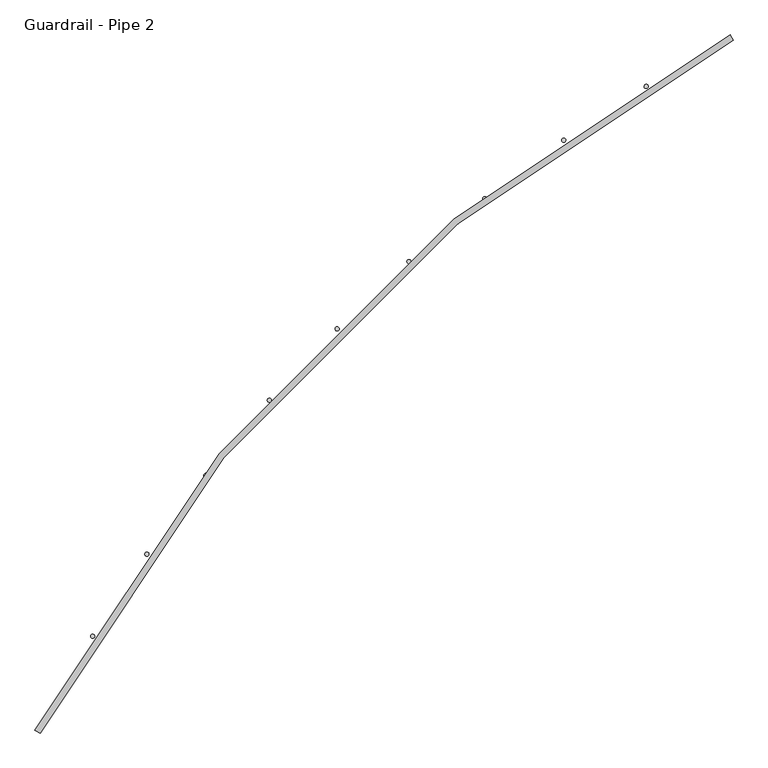
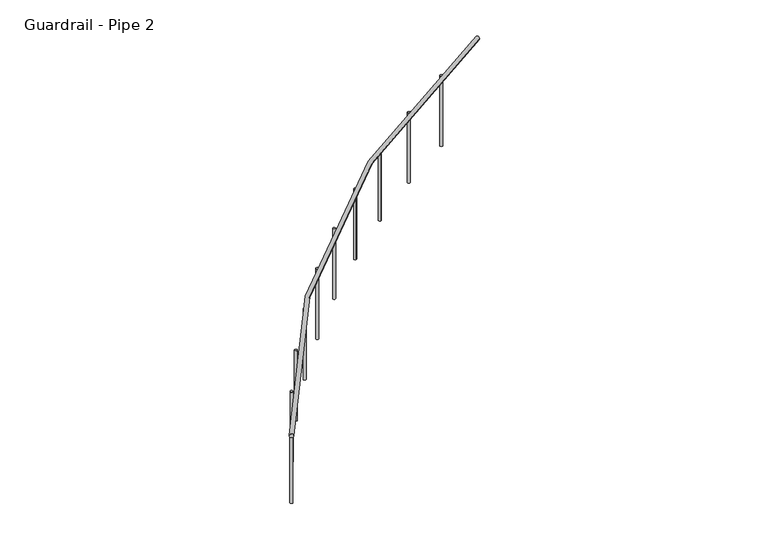
"""IFC4 building model written with IfcOpenShell, lengths in millimetres: railing geometry, Guardrail - Pipe 2."""

import ifcopenshell
import ifcopenshell.guid

model = None  # the IFC model being written
_history = None  # IfcOwnerHistory: only IFC2X3 demands one
_inside = {}  # id of a spatial element -> (the spatial element, [elements in it])
_under = {}  # id of a project, library or spatial element -> (it, [spatial elements below it])
_declared = {}  # id of a project -> (the project, [libraries it declares])
_typed = {}  # id of a type object -> (the type object, [elements of that type])
_made_of = {}  # id of a material, layer set ... -> (it, [elements and type objects made of it])


def new_model(schema):
    """Start an empty IFC model of exactly this schema.

    Asked for "IFC4X3", IfcOpenShell would pick the latest addendum, in which some entities
    have other attributes; the version numbers below select the first issue.
    IFC2X3 requires an IfcOwnerHistory on every rooted entity: one is made here for all.
    """
    global model, _history
    if schema == "IFC4X3":
        model = ifcopenshell.file(schema_version=(4, 3, 0, 0))
    else:
        model = ifcopenshell.file(schema=schema)
    _inside.clear()
    _under.clear()
    _declared.clear()
    _typed.clear()
    _made_of.clear()
    _history = None
    if model.schema == "IFC2X3":
        org = make("IfcOrganization", Name="unknown")
        user = make(
            "IfcPersonAndOrganization",
            ThePerson=make("IfcPerson", FamilyName="unknown"),
            TheOrganization=org,
        )
        app = make(
            "IfcApplication",
            ApplicationDeveloper=org,
            Version="unknown",
            ApplicationFullName="unknown",
            ApplicationIdentifier="unknown",
        )
        _history = make(
            "IfcOwnerHistory",
            OwningUser=user,
            OwningApplication=app,
            ChangeAction="ADDED",
            CreationDate=0,
        )
    return model


def make(cls, **values):
    """One entity of the class cls with the attributes given. An attribute that is None is left unset."""
    return model.create_entity(
        cls, **{name: value for name, value in values.items() if value is not None}
    )


def rooted(cls, **values):
    """An entity with a GlobalId (a new one), such as an element, a storey or a relation."""
    return make(cls, GlobalId=ifcopenshell.guid.new(), OwnerHistory=_history, **values)


def si_unit(unit_type, name, prefix=None):
    """IfcSIUnit, for example si_unit("LENGTHUNIT", "METRE", prefix="MILLI")."""
    return make("IfcSIUnit", UnitType=unit_type, Prefix=prefix, Name=name)


def assignment(units):
    """IfcUnitAssignment: the units of a project."""
    return None if units is None else make("IfcUnitAssignment", Units=units)


def point(xyz):
    """IfcCartesianPoint."""
    return None if xyz is None else make("IfcCartesianPoint", Coordinates=xyz)


def direction(xyz):
    """IfcDirection."""
    return None if xyz is None else make("IfcDirection", DirectionRatios=xyz)


def frame(location, z_axis=None, x_axis=None):
    """IfcAxis2Placement3D, a coordinate frame: its origin and axes. An axis left out is left unset."""
    return make(
        "IfcAxis2Placement3D",
        Location=point(location),
        Axis=direction(z_axis),
        RefDirection=direction(x_axis),
    )


def frame_2d(location, x_axis=None):
    """IfcAxis2Placement2D, a coordinate frame in the plane: its origin and x axis."""
    return make(
        "IfcAxis2Placement2D", Location=point(location), RefDirection=direction(x_axis)
    )


def origin():
    """The frame at (0, 0, 0) with its axes left unset."""
    return frame((0.0, 0.0, 0.0))


def place(relative_to, where):
    """IfcLocalPlacement: puts the frame where relative to a parent placement (None: the world)."""
    return make(
        "IfcLocalPlacement", PlacementRelTo=relative_to, RelativePlacement=where
    )


def context(
    kind, dimensions, precision=None, world=None, true_north=None, identifier=None
):
    """IfcGeometricRepresentationContext, for example the 3D "Model" context."""
    return make(
        "IfcGeometricRepresentationContext",
        ContextIdentifier=identifier,
        ContextType=kind,
        CoordinateSpaceDimension=dimensions,
        Precision=precision,
        WorldCoordinateSystem=world,
        TrueNorth=true_north,
    )


def project(units=None, contexts=None):
    """IfcProject with its units and contexts."""
    return rooted(
        "IfcProject",
        Name="project",
        RepresentationContexts=contexts,
        UnitsInContext=assignment(units),
    )


def spatial(cls, under=None, at=None, **own):
    """A site, building, storey or space (cls), placed at a placement, below another one or the project."""
    s = rooted(cls, ObjectPlacement=at, **own)
    if under is not None:
        _under.setdefault(under.id(), (under, []))[1].append(s)
    return s


def circle_curve(where, radius):
    """IfcCircle in the frame where."""
    return make("IfcCircle", Position=where, Radius=radius)


def ellipse_curve(where, semi_axis1, semi_axis2):
    """IfcEllipse in the frame where."""
    return make(
        "IfcEllipse", Position=where, SemiAxis1=semi_axis1, SemiAxis2=semi_axis2
    )


def trimmed(basis, trim1, trim2, sense, master):
    """IfcTrimmedCurve: the piece of a basis curve between two trims."""
    return make(
        "IfcTrimmedCurve",
        BasisCurve=basis,
        Trim1=trim1,
        Trim2=trim2,
        SenseAgreement=sense,
        MasterRepresentation=master,
    )


def segment(curve, same_sense, transition):
    """IfcCompositeCurveSegment."""
    return make(
        "IfcCompositeCurveSegment",
        Transition=transition,
        SameSense=same_sense,
        ParentCurve=curve,
    )


def composite_curve(segments, self_intersect=None):
    """IfcCompositeCurve: segments joined end to end."""
    return make("IfcCompositeCurve", Segments=segments, SelfIntersect=self_intersect)


def outline(outer, holes=None, kind="AREA"):
    """IfcArbitraryClosedProfileDef: a profile drawn as a closed curve; with holes, ...WithVoids."""
    if holes is None:
        return make("IfcArbitraryClosedProfileDef", ProfileType=kind, OuterCurve=outer)
    return make(
        "IfcArbitraryProfileDefWithVoids",
        ProfileType=kind,
        OuterCurve=outer,
        InnerCurves=holes,
    )


def extrude(swept, where, along, depth):
    """IfcExtrudedAreaSolid: the profile swept, set in the frame where, extruded along a direction by depth."""
    return make(
        "IfcExtrudedAreaSolid",
        SweptArea=swept,
        Position=where,
        ExtrudedDirection=direction(along),
        Depth=depth,
    )


def shape(context_of_items, identifier, shape_type, items):
    """IfcShapeRepresentation: the items that make up one representation, for example the "Body"."""
    return make(
        "IfcShapeRepresentation",
        ContextOfItems=context_of_items,
        RepresentationIdentifier=identifier,
        RepresentationType=shape_type,
        Items=items,
    )


def source(mapping_origin, context_of_items, identifier, shape_type, items):
    """IfcRepresentationMap: a shape defined once, which mapped items show again and again."""
    return make(
        "IfcRepresentationMap",
        MappingOrigin=mapping_origin,
        MappedRepresentation=shape(context_of_items, identifier, shape_type, items),
    )


def transform(
    local_origin,
    x_axis=None,
    y_axis=None,
    z_axis=None,
    scale=None,
    scale2=None,
    scale3=None,
    uniform=True,
):
    """IfcCartesianTransformationOperator3D, or its non-uniform kind. x_axis, y_axis, z_axis: its Axis1, 2, 3."""
    if uniform:
        return make(
            "IfcCartesianTransformationOperator3D",
            Axis1=direction(x_axis),
            Axis2=direction(y_axis),
            LocalOrigin=point(local_origin),
            Scale=scale,
            Axis3=direction(z_axis),
        )
    return make(
        "IfcCartesianTransformationOperator3DnonUniform",
        Axis1=direction(x_axis),
        Axis2=direction(y_axis),
        LocalOrigin=point(local_origin),
        Scale=scale,
        Axis3=direction(z_axis),
        Scale2=scale2,
        Scale3=scale3,
    )


def mapped(mapping_source, mapping_target):
    """IfcMappedItem: shows the shape of a source again, moved by a transform."""
    return make(
        "IfcMappedItem", MappingSource=mapping_source, MappingTarget=mapping_target
    )


def made_of(thing, what):
    """Note that an element or type object is made of a material, layer set ...; save() writes the relation."""
    if what is not None:
        _made_of.setdefault(what.id(), (what, []))[1].append(thing)
    return thing


def element(
    cls,
    number,
    at=None,
    inside=None,
    cuts=None,
    type_object=None,
    material=None,
    context=None,
    identifier="Body",
    shape_type=None,
    held_by="IfcProductDefinitionShape",
    body=None,
    shapes=None,
    **own,
):
    """One element of the class cls, such as IfcWall. Its Tag is "e" and its number.

    at: its placement. inside: the storey or other place that contains it. cuts: it is an
    opening in that element (IfcRelVoidsElement). A single representation is given by context,
    identifier, shape_type and body (its items); several are given by shapes. held_by: the class
    of the entity that holds the representations. save() writes the other relations.
    """
    e = rooted(cls, Tag="e%d" % number, ObjectPlacement=at, **own)
    if body is not None:
        shapes = [shape(context, identifier, shape_type, body)]
    if shapes is not None:
        e.Representation = make(held_by, Representations=shapes)
    if inside is not None:
        _inside.setdefault(inside.id(), (inside, []))[1].append(e)
    if cuts is not None:
        rooted(
            "IfcRelVoidsElement", RelatingBuildingElement=cuts, RelatedOpeningElement=e
        )
    if type_object is not None:
        _typed.setdefault(type_object.id(), (type_object, []))[1].append(e)
    return made_of(e, material)


def aggregate(whole, parts):
    """IfcRelAggregates: a whole, such as a stair, and the parts it consists of."""
    return rooted("IfcRelAggregates", RelatingObject=whole, RelatedObjects=parts)


def save(model, path):
    """Write the relations noted so far, then the file.

    IfcRelAggregates (storeys below a building ...), IfcRelContainedInSpatialStructure (elements
    in a storey), IfcRelDefinesByType, IfcRelAssociatesMaterial and IfcRelDeclares: one each for
    every whole, place, type object, material and project.
    """
    for whole, parts in _under.values():
        aggregate(whole, parts)
    for where, things in _inside.values():
        rooted(
            "IfcRelContainedInSpatialStructure",
            RelatedElements=things,
            RelatingStructure=where,
        )
    for kind, things in _typed.values():
        rooted("IfcRelDefinesByType", RelatedObjects=things, RelatingType=kind)
    for what, things in _made_of.values():
        rooted("IfcRelAssociatesMaterial", RelatedObjects=things, RelatingMaterial=what)
    for by, libraries in _declared.values():
        rooted("IfcRelDeclares", RelatingContext=by, RelatedDefinitions=libraries)
    model.write(path)


def plane_surface(at):
    """IfcPlane: the flat surface through the origin of the frame at, square to its z axis."""
    return make("IfcPlane", Position=at)


def revolved_surface(curve, axis_point, axis_direction):
    """IfcSurfaceOfRevolution: the curve turned about the line through axis_point along axis_direction."""
    return make(
        "IfcSurfaceOfRevolution",
        SweptCurve=make("IfcArbitraryOpenProfileDef", ProfileType="CURVE", Curve=curve),
        AxisPosition=make("IfcAxis1Placement", Location=point(axis_point), Axis=direction(axis_direction)),
    )


def advanced_brep(points, edges, surfaces, faces):
    """IfcAdvancedBrep: a solid bounded by faces that lie on surfaces and meet in shared edges.

    An edge is (start, end): straight between two places in points (the first is 0);
    or (start, end, curve); or (start, end, curve, False) where it runs against its curve.
    A face is (place in surfaces, loops), or (place, loops, False) where it looks against
    its surface's normal. A loop lists edges by number (the first is 1), with a minus sign
    where the edge is run from its end to its start. The first loop is the outer one.
    """
    corners = [point(p) for p in points]
    vertices = [make("IfcVertexPoint", VertexGeometry=c) for c in corners]
    made = []
    for start, end, *more in edges:
        made.append(
            make(
                "IfcEdgeCurve",
                EdgeStart=vertices[start],
                EdgeEnd=vertices[end],
                EdgeGeometry=more[0] if more else make("IfcPolyline", Points=[corners[start], corners[end]]),
                SameSense=more[1] if len(more) > 1 else True,
            )
        )
    hull = []
    for where, loops, *sense in faces:
        bounds = []
        for j, loop in enumerate(loops):
            ring = [make("IfcOrientedEdge", EdgeElement=made[abs(k) - 1], Orientation=k > 0) for k in loop]
            bounds.append(
                make(
                    "IfcFaceOuterBound" if j == 0 else "IfcFaceBound",
                    Bound=make("IfcEdgeLoop", EdgeList=ring),
                    Orientation=True,
                )
            )
        hull.append(make("IfcAdvancedFace", Bounds=bounds, FaceSurface=surfaces[where], SameSense=sense[0] if sense else True))
    return make("IfcAdvancedBrep", Outer=make("IfcClosedShell", CfsFaces=hull))


def guardrail_pipe_2_c8b56e09(model_context):
    return source(origin(), model_context, "Body", "SolidModel", [
        advanced_brep(
        [(489758.198997, -255066.1139047, 5518.15), (494048.93135, -250775.3815518, 5518.15), (494031.0019382, -250741.7639047, 5518.15), (489724.58135, -255048.1844929, 5518.15)],
        [
            (0, 1, circle_curve(frame((498952.6254676, -259969.8080223, 5518.15), z_axis=(0.0, 0.0, -1.0), x_axis=(-0.47058823529371446, 0.8823529411766856, 0.0)), 10420.35)),
            (1, 2, circle_curve(frame((494039.9666441, -250758.5727282, 5518.15), z_axis=(-0.8823529411766833, -0.47058823529371885, 0.0), x_axis=(-0.47058823529371885, 0.8823529411766833, 0.0)), 19.05)),
            (2, 3, circle_curve(frame((498952.6254676, -259969.8080223, 5518.15), z_axis=(0.0, 0.0, 1.0), x_axis=(-0.47058823529371446, 0.8823529411766856, 0.0)), 10458.45)),
            (3, 0, circle_curve(frame((489741.3901735, -255057.1491988, 5518.15), z_axis=(0.47058823529375404, 0.8823529411766646, 0.0), x_axis=(-0.8823529411766646, 0.47058823529375404, 0.0)), 19.05)),
            (2, 1, circle_curve(frame((494039.9666441, -250758.5727282, 5518.15), z_axis=(-0.8823529411766825, -0.4705882352937203, 0.0), x_axis=(-0.4705882352937203, 0.8823529411766825, 0.0)), 19.05)),
            (0, 3, circle_curve(frame((489741.3901735, -255057.1491988, 5518.15), z_axis=(0.4705882352937505, 0.8823529411766664, 0.0), x_axis=(-0.8823529411766664, 0.4705882352937505, 0.0)), 19.05)),
        ],
        [
            revolved_surface(trimmed(ellipse_curve(frame((494039.9666441, -250758.5727282, 5518.15), z_axis=(0.8823529411766856, 0.47058823529371446, 0.0), x_axis=(-0.47058823529371446, 0.8823529411766856, 0.0)), 19.05, 19.05), [point((494031.0019382, -250741.7639047, 5518.15))], [point((494048.93135, -250775.3815518, 5518.15))], True, "CARTESIAN"), (498952.6254676, -259969.8080223, 5537.2), (0.0, 0.0, 1.0)),
            revolved_surface(trimmed(ellipse_curve(frame((494039.9666441, -250758.5727282, 5518.15), z_axis=(0.8823529411766856, 0.47058823529371446, 0.0), x_axis=(-0.47058823529371446, 0.8823529411766856, 0.0)), 19.05, 19.05), [point((494048.93135, -250775.3815518, 5518.15))], [point((494031.0019382, -250741.7639047, 5518.15))], True, "CARTESIAN"), (498952.6254676, -259969.8080223, 5537.2), (0.0, 0.0, 1.0)),
            plane_surface(frame((494039.9666441, -250758.5727282, 5537.2), z_axis=(0.8823529411766856, 0.47058823529371446, 0.0), x_axis=(0.47058823529371446, -0.8823529411766856, 0.0))),
            plane_surface(frame((489741.3901735, -255057.1491988, 5537.2), z_axis=(-0.47058823529374844, -0.8823529411766675, 0.0), x_axis=(0.8823529411766675, -0.47058823529374844, 0.0))),
        ],
        [
            (0, [[1, 2, 3, 4]]),
            (1, [[-3, 5, -1, 6]]),
            (2, [[-5, -2]]),
            (3, [[-4, -6]]),
        ],
    ),
        extrude(outline(composite_curve([segment(trimmed(circle_curve(frame_2d((489775.7059149, -254993.3414161)), 12.7), [point((489786.8700506, -254999.3955117))], [point((489764.5417792, -254987.2873204))], False, "CARTESIAN"), True, "CONTINUOUS"), segment(trimmed(circle_curve(frame_2d((489775.7059149, -254993.3414161)), 12.7), [point((489764.5417792, -254987.2873204))], [point((489786.8700506, -254999.3955117))], False, "CARTESIAN"), True, "CONTINUOUS")], self_intersect=False)), frame((0.0, 0.0, 4775.2), z_axis=(0.0, 0.0, 1.0), x_axis=(1.0, 0.0, 0.0)), (0.0, 0.0, 1.0), 723.9),
        extrude(outline(composite_curve([segment(trimmed(circle_curve(frame_2d((490081.779026, -254466.2495582)), 12.7), [point((490092.57081, -254472.9448848))], [point((490070.987242, -254459.5542316))], False, "CARTESIAN"), True, "CONTINUOUS"), segment(trimmed(circle_curve(frame_2d((490081.779026, -254466.2495582)), 12.7), [point((490070.987242, -254459.5542316))], [point((490092.57081, -254472.9448848))], False, "CARTESIAN"), True, "CONTINUOUS")], self_intersect=False)), frame((0.0, 0.0, 4775.2), z_axis=(0.0, 0.0, 1.0), x_axis=(1.0, 0.0, 0.0)), (0.0, 0.0, 1.0), 723.9),
        extrude(outline(composite_curve([segment(trimmed(circle_curve(frame_2d((490418.0920467, -253957.9188311)), 12.7), [point((490428.4746908, -253965.2325649))], [point((490407.7094027, -253950.6050973))], False, "CARTESIAN"), True, "CONTINUOUS"), segment(trimmed(circle_curve(frame_2d((490418.0920467, -253957.9188311)), 12.7), [point((490407.7094027, -253950.6050973))], [point((490428.4746908, -253965.2325649))], False, "CARTESIAN"), True, "CONTINUOUS")], self_intersect=False)), frame((0.0, 0.0, 4775.2), z_axis=(0.0, 0.0, 1.0), x_axis=(1.0, 0.0, 0.0)), (0.0, 0.0, 1.0), 723.9),
        extrude(outline(composite_curve([segment(trimmed(circle_curve(frame_2d((490783.4985166, -253470.0820882)), 12.7), [point((490793.4366273, -253477.9892974))], [point((490773.560406, -253462.174879))], False, "CARTESIAN"), True, "CONTINUOUS"), segment(trimmed(circle_curve(frame_2d((490783.4985166, -253470.0820882)), 12.7), [point((490773.560406, -253462.174879))], [point((490793.4366273, -253477.9892974))], False, "CARTESIAN"), True, "CONTINUOUS")], self_intersect=False)), frame((0.0, 0.0, 4775.2), z_axis=(0.0, 0.0, 1.0), x_axis=(1.0, 0.0, 0.0)), (0.0, 0.0, 1.0), 723.9),
        extrude(outline(composite_curve([segment(trimmed(circle_curve(frame_2d((491176.7527983, -253004.4023206)), 12.7), [point((491186.2124974, -253012.8760501))], [point((491167.2930992, -252995.928591))], False, "CARTESIAN"), True, "CONTINUOUS"), segment(trimmed(circle_curve(frame_2d((491176.7527983, -253004.4023206)), 12.7), [point((491167.2930992, -252995.928591))], [point((491186.2124974, -253012.8760501))], False, "CARTESIAN"), True, "CONTINUOUS")], self_intersect=False)), frame((0.0, 0.0, 4775.2), z_axis=(0.0, 0.0, 1.0), x_axis=(1.0, 0.0, 0.0)), (0.0, 0.0, 1.0), 723.9),
        extrude(outline(composite_curve([segment(trimmed(circle_curve(frame_2d((491596.5143235, -252562.4669883)), 12.7), [point((491605.4633638, -252571.4783521))], [point((491587.5652832, -252553.4556245))], False, "CARTESIAN"), True, "CONTINUOUS"), segment(trimmed(circle_curve(frame_2d((491596.5143235, -252562.4669883)), 12.7), [point((491587.5652832, -252553.4556245))], [point((491605.4633638, -252571.4783521))], False, "CARTESIAN"), True, "CONTINUOUS")], self_intersect=False)), frame((0.0, 0.0, 4775.2), z_axis=(0.0, 0.0, 1.0), x_axis=(1.0, 0.0, 0.0)), (0.0, 0.0, 1.0), 723.9),
        extrude(outline(composite_curve([segment(trimmed(circle_curve(frame_2d((492041.3521634, -252145.7826087)), 12.7), [point((492049.7600384, -252155.3008878))], [point((492032.9442883, -252136.2643296))], False, "CARTESIAN"), True, "CONTINUOUS"), segment(trimmed(circle_curve(frame_2d((492041.3521634, -252145.7826087)), 12.7), [point((492032.9442883, -252136.2643296))], [point((492049.7600384, -252155.3008878))], False, "CARTESIAN"), True, "CONTINUOUS")], self_intersect=False)), frame((0.0, 0.0, 4775.2), z_axis=(0.0, 0.0, 1.0), x_axis=(1.0, 0.0, 0.0)), (0.0, 0.0, 1.0), 723.9),
        extrude(outline(composite_curve([segment(trimmed(circle_curve(frame_2d((492509.7499061, -251755.769621)), 12.7), [point((492517.5879543, -251765.7623684))], [point((492501.911858, -251745.7768735))], False, "CARTESIAN"), True, "CONTINUOUS"), segment(trimmed(circle_curve(frame_2d((492509.7499061, -251755.769621)), 12.7), [point((492501.911858, -251745.7768735))], [point((492517.5879543, -251765.7623684))], False, "CARTESIAN"), True, "CONTINUOUS")], self_intersect=False)), frame((0.0, 0.0, 4775.2), z_axis=(0.0, 0.0, 1.0), x_axis=(1.0, 0.0, 0.0)), (0.0, 0.0, 1.0), 723.9),
        extrude(outline(composite_curve([segment(trimmed(circle_curve(frame_2d((493000.1108264, -251393.757544)), 12.7), [point((493007.3523284, -251404.1906955))], [point((492992.8693244, -251383.3243926))], False, "CARTESIAN"), True, "CONTINUOUS"), segment(trimmed(circle_curve(frame_2d((493000.1108264, -251393.757544)), 12.7), [point((492992.8693244, -251383.3243926))], [point((493007.3523284, -251404.1906955))], False, "CARTESIAN"), True, "CONTINUOUS")], self_intersect=False)), frame((0.0, 0.0, 4775.2), z_axis=(0.0, 0.0, 1.0), x_axis=(1.0, 0.0, 0.0)), (0.0, 0.0, 1.0), 723.9),
        extrude(outline(composite_curve([segment(trimmed(circle_curve(frame_2d((493510.7633284, -251060.9804442)), 12.7), [point((493517.3835986, -251071.8184339))], [point((493504.1430582, -251050.1424544))], False, "CARTESIAN"), True, "CONTINUOUS"), segment(trimmed(circle_curve(frame_2d((493510.7633284, -251060.9804442)), 12.7), [point((493504.1430582, -251050.1424544))], [point((493517.3835986, -251071.8184339))], False, "CARTESIAN"), True, "CONTINUOUS")], self_intersect=False)), frame((0.0, 0.0, 4775.2), z_axis=(0.0, 0.0, 1.0), x_axis=(1.0, 0.0, 0.0)), (0.0, 0.0, 1.0), 723.9),
    ])


if __name__ == "__main__":
    model = new_model("IFC4")
    model_context = context("Model", 3, world=origin())
    ifc_project = project(units=[si_unit("LENGTHUNIT", "METRE", prefix="MILLI")], contexts=[model_context])
    site = spatial("IfcSite", under=ifc_project)
    building = spatial("IfcBuilding", under=site)
    placement = place(None, origin())
    guardrail_pipe_2_shape = guardrail_pipe_2_c8b56e09(model_context)
    element("IfcRailing", 1, ObjectType="Guardrail - Pipe 2", at=placement, inside=building, context=model_context, shape_type="MappedRepresentation", body=[
        mapped(guardrail_pipe_2_shape, transform((0.0, 0.0, 0.0), x_axis=(1.0, 0.0, 0.0), y_axis=(0.0, 1.0, 0.0), z_axis=(0.0, 0.0, 1.0))),
    ])
    save(model, "model.ifc")
